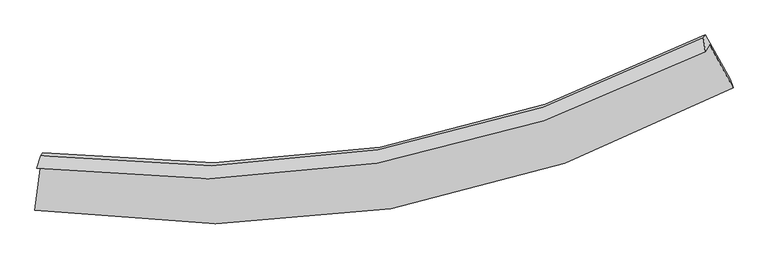
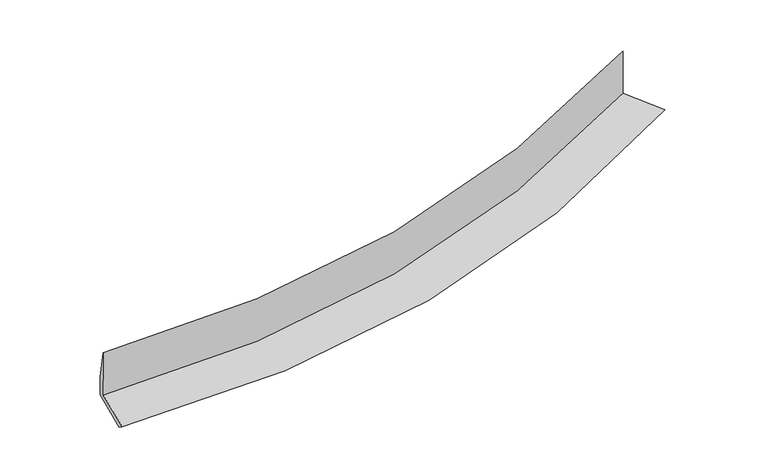
"""IFC4 building model written with IfcOpenShell, lengths in millimetres: proxy geometry."""

import ifcopenshell
import ifcopenshell.guid

model = None  # the IFC model being written
_history = None  # IfcOwnerHistory: only IFC2X3 demands one
_inside = {}  # id of a spatial element -> (the spatial element, [elements in it])
_under = {}  # id of a project, library or spatial element -> (it, [spatial elements below it])
_declared = {}  # id of a project -> (the project, [libraries it declares])
_typed = {}  # id of a type object -> (the type object, [elements of that type])
_made_of = {}  # id of a material, layer set ... -> (it, [elements and type objects made of it])


def new_model(schema):
    """Start an empty IFC model of exactly this schema.

    Asked for "IFC4X3", IfcOpenShell would pick the latest addendum, in which some entities
    have other attributes; the version numbers below select the first issue.
    IFC2X3 requires an IfcOwnerHistory on every rooted entity: one is made here for all.
    """
    global model, _history
    if schema == "IFC4X3":
        model = ifcopenshell.file(schema_version=(4, 3, 0, 0))
    else:
        model = ifcopenshell.file(schema=schema)
    _inside.clear()
    _under.clear()
    _declared.clear()
    _typed.clear()
    _made_of.clear()
    _history = None
    if model.schema == "IFC2X3":
        org = make("IfcOrganization", Name="unknown")
        user = make(
            "IfcPersonAndOrganization",
            ThePerson=make("IfcPerson", FamilyName="unknown"),
            TheOrganization=org,
        )
        app = make(
            "IfcApplication",
            ApplicationDeveloper=org,
            Version="unknown",
            ApplicationFullName="unknown",
            ApplicationIdentifier="unknown",
        )
        _history = make(
            "IfcOwnerHistory",
            OwningUser=user,
            OwningApplication=app,
            ChangeAction="ADDED",
            CreationDate=0,
        )
    return model


def make(cls, **values):
    """One entity of the class cls with the attributes given. An attribute that is None is left unset."""
    return model.create_entity(
        cls, **{name: value for name, value in values.items() if value is not None}
    )


def rooted(cls, **values):
    """An entity with a GlobalId (a new one), such as an element, a storey or a relation."""
    return make(cls, GlobalId=ifcopenshell.guid.new(), OwnerHistory=_history, **values)


def si_unit(unit_type, name, prefix=None):
    """IfcSIUnit, for example si_unit("LENGTHUNIT", "METRE", prefix="MILLI")."""
    return make("IfcSIUnit", UnitType=unit_type, Prefix=prefix, Name=name)


def assignment(units):
    """IfcUnitAssignment: the units of a project."""
    return None if units is None else make("IfcUnitAssignment", Units=units)


def point(xyz):
    """IfcCartesianPoint."""
    return None if xyz is None else make("IfcCartesianPoint", Coordinates=xyz)


def direction(xyz):
    """IfcDirection."""
    return None if xyz is None else make("IfcDirection", DirectionRatios=xyz)


def frame(location, z_axis=None, x_axis=None):
    """IfcAxis2Placement3D, a coordinate frame: its origin and axes. An axis left out is left unset."""
    return make(
        "IfcAxis2Placement3D",
        Location=point(location),
        Axis=direction(z_axis),
        RefDirection=direction(x_axis),
    )


def origin():
    """The frame at (0, 0, 0) with its axes left unset."""
    return frame((0.0, 0.0, 0.0))


def place(relative_to, where):
    """IfcLocalPlacement: puts the frame where relative to a parent placement (None: the world)."""
    return make(
        "IfcLocalPlacement", PlacementRelTo=relative_to, RelativePlacement=where
    )


def context(
    kind, dimensions, precision=None, world=None, true_north=None, identifier=None
):
    """IfcGeometricRepresentationContext, for example the 3D "Model" context."""
    return make(
        "IfcGeometricRepresentationContext",
        ContextIdentifier=identifier,
        ContextType=kind,
        CoordinateSpaceDimension=dimensions,
        Precision=precision,
        WorldCoordinateSystem=world,
        TrueNorth=true_north,
    )


def project(units=None, contexts=None):
    """IfcProject with its units and contexts."""
    return rooted(
        "IfcProject",
        Name="project",
        RepresentationContexts=contexts,
        UnitsInContext=assignment(units),
    )


def spatial(cls, under=None, at=None, **own):
    """A site, building, storey or space (cls), placed at a placement, below another one or the project."""
    s = rooted(cls, ObjectPlacement=at, **own)
    if under is not None:
        _under.setdefault(under.id(), (under, []))[1].append(s)
    return s


def shape(context_of_items, identifier, shape_type, items):
    """IfcShapeRepresentation: the items that make up one representation, for example the "Body"."""
    return make(
        "IfcShapeRepresentation",
        ContextOfItems=context_of_items,
        RepresentationIdentifier=identifier,
        RepresentationType=shape_type,
        Items=items,
    )


def source(mapping_origin, context_of_items, identifier, shape_type, items):
    """IfcRepresentationMap: a shape defined once, which mapped items show again and again."""
    return make(
        "IfcRepresentationMap",
        MappingOrigin=mapping_origin,
        MappedRepresentation=shape(context_of_items, identifier, shape_type, items),
    )


def transform(
    local_origin,
    x_axis=None,
    y_axis=None,
    z_axis=None,
    scale=None,
    scale2=None,
    scale3=None,
    uniform=True,
):
    """IfcCartesianTransformationOperator3D, or its non-uniform kind. x_axis, y_axis, z_axis: its Axis1, 2, 3."""
    if uniform:
        return make(
            "IfcCartesianTransformationOperator3D",
            Axis1=direction(x_axis),
            Axis2=direction(y_axis),
            LocalOrigin=point(local_origin),
            Scale=scale,
            Axis3=direction(z_axis),
        )
    return make(
        "IfcCartesianTransformationOperator3DnonUniform",
        Axis1=direction(x_axis),
        Axis2=direction(y_axis),
        LocalOrigin=point(local_origin),
        Scale=scale,
        Axis3=direction(z_axis),
        Scale2=scale2,
        Scale3=scale3,
    )


def mapped(mapping_source, mapping_target):
    """IfcMappedItem: shows the shape of a source again, moved by a transform."""
    return make(
        "IfcMappedItem", MappingSource=mapping_source, MappingTarget=mapping_target
    )


def made_of(thing, what):
    """Note that an element or type object is made of a material, layer set ...; save() writes the relation."""
    if what is not None:
        _made_of.setdefault(what.id(), (what, []))[1].append(thing)
    return thing


def element(
    cls,
    number,
    at=None,
    inside=None,
    cuts=None,
    type_object=None,
    material=None,
    context=None,
    identifier="Body",
    shape_type=None,
    held_by="IfcProductDefinitionShape",
    body=None,
    shapes=None,
    **own,
):
    """One element of the class cls, such as IfcWall. Its Tag is "e" and its number.

    at: its placement. inside: the storey or other place that contains it. cuts: it is an
    opening in that element (IfcRelVoidsElement). A single representation is given by context,
    identifier, shape_type and body (its items); several are given by shapes. held_by: the class
    of the entity that holds the representations. save() writes the other relations.
    """
    e = rooted(cls, Tag="e%d" % number, ObjectPlacement=at, **own)
    if body is not None:
        shapes = [shape(context, identifier, shape_type, body)]
    if shapes is not None:
        e.Representation = make(held_by, Representations=shapes)
    if inside is not None:
        _inside.setdefault(inside.id(), (inside, []))[1].append(e)
    if cuts is not None:
        rooted(
            "IfcRelVoidsElement", RelatingBuildingElement=cuts, RelatedOpeningElement=e
        )
    if type_object is not None:
        _typed.setdefault(type_object.id(), (type_object, []))[1].append(e)
    return made_of(e, material)


def aggregate(whole, parts):
    """IfcRelAggregates: a whole, such as a stair, and the parts it consists of."""
    return rooted("IfcRelAggregates", RelatingObject=whole, RelatedObjects=parts)


def save(model, path):
    """Write the relations noted so far, then the file.

    IfcRelAggregates (storeys below a building ...), IfcRelContainedInSpatialStructure (elements
    in a storey), IfcRelDefinesByType, IfcRelAssociatesMaterial and IfcRelDeclares: one each for
    every whole, place, type object, material and project.
    """
    for whole, parts in _under.values():
        aggregate(whole, parts)
    for where, things in _inside.values():
        rooted(
            "IfcRelContainedInSpatialStructure",
            RelatedElements=things,
            RelatingStructure=where,
        )
    for kind, things in _typed.values():
        rooted("IfcRelDefinesByType", RelatedObjects=things, RelatingType=kind)
    for what, things in _made_of.values():
        rooted("IfcRelAssociatesMaterial", RelatedObjects=things, RelatingMaterial=what)
    for by, libraries in _declared.values():
        rooted("IfcRelDeclares", RelatingContext=by, RelatedDefinitions=libraries)
    model.write(path)


def plane_surface(at):
    """IfcPlane: the flat surface through the origin of the frame at, square to its z axis."""
    return make("IfcPlane", Position=at)


def spline_curve(degree, points, multiplicities, knots, weights=None):
    """IfcBSplineCurveWithKnots; with weights, IfcRationalBSplineCurveWithKnots."""
    own = dict(
        Degree=degree,
        ControlPointsList=[point(p) for p in points],
        CurveForm="UNSPECIFIED",
        ClosedCurve=False,
        SelfIntersect=False,
        KnotMultiplicities=multiplicities,
        Knots=knots,
        KnotSpec="UNSPECIFIED",
    )
    if weights is None:
        return make("IfcBSplineCurveWithKnots", **own)
    return make("IfcRationalBSplineCurveWithKnots", WeightsData=weights, **own)


def spline_surface(u_degree, v_degree, points, u_multiplicities, v_multiplicities, u_knots, v_knots, weights=None):
    """IfcBSplineSurfaceWithKnots; with weights, IfcRationalBSplineSurfaceWithKnots. points: one row for each step in u."""
    own = dict(
        UDegree=u_degree,
        VDegree=v_degree,
        ControlPointsList=[[point(p) for p in row] for row in points],
        SurfaceForm="UNSPECIFIED",
        UClosed=False,
        VClosed=False,
        SelfIntersect=False,
        UMultiplicities=u_multiplicities,
        VMultiplicities=v_multiplicities,
        UKnots=u_knots,
        VKnots=v_knots,
        KnotSpec="UNSPECIFIED",
    )
    if weights is None:
        return make("IfcBSplineSurfaceWithKnots", **own)
    return make("IfcRationalBSplineSurfaceWithKnots", WeightsData=weights, **own)


def advanced_brep(points, edges, surfaces, faces):
    """IfcAdvancedBrep: a solid bounded by faces that lie on surfaces and meet in shared edges.

    An edge is (start, end): straight between two places in points (the first is 0);
    or (start, end, curve); or (start, end, curve, False) where it runs against its curve.
    A face is (place in surfaces, loops), or (place, loops, False) where it looks against
    its surface's normal. A loop lists edges by number (the first is 1), with a minus sign
    where the edge is run from its end to its start. The first loop is the outer one.
    """
    corners = [point(p) for p in points]
    vertices = [make("IfcVertexPoint", VertexGeometry=c) for c in corners]
    made = []
    for start, end, *more in edges:
        made.append(
            make(
                "IfcEdgeCurve",
                EdgeStart=vertices[start],
                EdgeEnd=vertices[end],
                EdgeGeometry=more[0] if more else make("IfcPolyline", Points=[corners[start], corners[end]]),
                SameSense=more[1] if len(more) > 1 else True,
            )
        )
    hull = []
    for where, loops, *sense in faces:
        bounds = []
        for j, loop in enumerate(loops):
            ring = [make("IfcOrientedEdge", EdgeElement=made[abs(k) - 1], Orientation=k > 0) for k in loop]
            bounds.append(
                make(
                    "IfcFaceOuterBound" if j == 0 else "IfcFaceBound",
                    Bound=make("IfcEdgeLoop", EdgeList=ring),
                    Orientation=True,
                )
            )
        hull.append(make("IfcAdvancedFace", Bounds=bounds, FaceSurface=surfaces[where], SameSense=sense[0] if sense else True))
    return make("IfcAdvancedBrep", Outer=make("IfcClosedShell", CfsFaces=hull))


def generic_models_fd2171f3(model_context):
    return source(origin(), model_context, "Body", "AdvancedBrep", [
        advanced_brep(
        [(-4661.3365485, -2029.2667822, 1425.0803979), (-4747.2975755, -2709.1252554, 1332.4414875), (4879.3374089, -1019.7214283, 2285.3072275), (4556.6534177, -426.1839896, 2312.6909455), (-4720.3919156, -2129.772708, 2217.4716835), (4497.899031, -526.1776789, 3101.0437453), (-4667.2682074, -1960.0029287, 1689.9993774), (4470.471928, -332.9707239, 2565.8857012), (-4642.2584208, -1917.4389437, 1354.423833), (4495.3034525, -290.7101221, 2232.7020376), (-4724.2683312, -2577.0651401, 1240.3151729), (4836.7679481, -904.8264615, 2151.1442677)],
        [
            (0, 1),
            (1, 2, spline_curve(3, [(-4747.2975755, -2709.1252554, 1332.4414875), (-3062.987805713, -2965.734958003, 1444.284353728), (-1426.926892071, -2957.761643101, 1578.485625598), (1784.128779574, -2406.566964223, 1895.098563429), (3356.946193282, -1851.405670533, 2078.519204575), (4879.3374089, -1019.7214283, 2285.3072275)], [4, 2, 4], [0.0, 15.794102241306978, 31.940645175201425])),
            (2, 3),
            (3, 0, spline_curve(3, [(4556.6534177, -426.1839896, 2312.6909455), (3091.365142778, -1182.372505198, 2107.907063238), (1581.593567065, -1692.849411793, 1931.036036087), (-1492.99049068, -2216.600808647, 1636.371097683), (-3055.882237255, -2240.484833031, 1517.371941863), (-4661.3365485, -2029.2667822, 1425.0803979)], [4, 2, 4], [0.0, 16.146542933894445, 31.940645175201425])),
            (4, 0),
            (3, 5),
            (5, 4, spline_curve(3, [(4497.899031, -526.1776789, 3101.0437453), (3032.226636198, -1283.019925041, 2901.413890145), (1522.239482347, -1793.863723539, 2727.435450216), (-1552.437625426, -2317.773480715, 2434.019027138), (-3115.214119645, -2341.461358475, 2313.473446751), (-4720.3919156, -2129.772708, 2217.4716835)], [4, 2, 4], [0.0, 15.777644333575576, 31.21090015506593])),
            (6, 4),
            (5, 7),
            (7, 6, spline_curve(3, [(4470.471928, -332.9707239, 2565.8857012), (3023.395355678, -1093.035290443, 2356.819151901), (1529.465037971, -1607.468908926, 2178.829119059), (-1518.471429054, -2139.20692624, 1888.208857977), (-3070.454490213, -2167.117376025, 1774.236782854), (-4667.2682074, -1960.0029287, 1689.9993774)], [4, 2, 4], [0.0, 15.71616714242564, 31.089287673872434])),
            (8, 6),
            (7, 9),
            (9, 8, spline_curve(3, [(4495.3034525, -290.7101221, 2232.7020376), (3047.312132308, -1052.331491279, 2035.909360022), (1552.944672654, -1567.50907932, 1863.784799959), (-1494.911751153, -2099.11087119, 1572.090538058), (-3046.398249422, -2126.176224139, 1451.455696869), (-4642.2584208, -1917.4389437, 1354.423833)], [4, 2, 4], [0.0, 15.654762870422463, 30.967819439320635])),
            (10, 8),
            (9, 11),
            (11, 10, spline_curve(3, [(4836.7679481, -904.8264615, 2151.1442677), (3315.747780784, -1682.258329964, 1946.667350722), (1749.196189182, -2209.13058338, 1767.970298787), (-1439.78189603, -2755.724610829, 1465.473744302), (-3060.242397967, -2786.265250733, 1340.561097943), (-4724.2683312, -2577.0651401, 1240.3151729)], [4, 2, 4], [0.0, 16.006846530168502, 31.66430160853642])),
            (1, 10),
            (11, 2),
        ],
        [
            spline_surface(3, 3, [[(-4661.3365485, -2029.2667822, 1425.0803979), (-3055.882237385, -2240.484833091, 1517.371941718), (-1492.990490727, -2216.600808717, 1636.371097511), (1581.593567113, -1692.849411721, 1931.036036263), (3091.365142539, -1182.372505193, 2107.90706301), (4556.6534177, -426.1839896, 2312.6909455)], [(-4689.990224179, -2255.886273277, 1394.200761116), (-3058.250760247, -2482.23487468, 1493.009412402), (-1470.969291096, -2463.654420092, 1617.075940222), (1649.105304521, -1930.755262645, 1919.056878629), (3179.89215948, -1405.383560271, 2098.111110285), (4664.214748101, -624.029802499, 2303.563039523)], [(-4718.643899821, -2482.505764323, 1363.321124284), (-3060.619283071, -2723.984916237, 1468.646883038), (-1448.948091467, -2710.708031466, 1597.780782943), (1716.617041926, -2168.661113567, 1907.077721005), (3268.419176418, -1628.394615351, 2088.315157491), (4771.776078499, -821.875615401, 2294.435133477)], [(-4747.2975755, -2709.1252554, 1332.4414875), (-3062.987805933, -2965.734957827, 1444.284353722), (-1426.926891835, -2957.76164284, 1578.485625654), (1784.128779333, -2406.56696449, 1895.098563372), (3356.946193359, -1851.40567043, 2078.519204767), (4879.3374089, -1019.7214283, 2285.3072275)]], [4, 4], [4, 2, 4], [0.0, 2.4316578907340354], [0.0, 15.794102241306978, 31.940645175201425]),
            spline_surface(3, 3, [[(-4720.3919156, -2129.772708, 2217.4716835), (-3115.214119838, -2341.46135848, 2313.473446497), (-1552.437625172, -2317.77348071, 2434.019027115), (1522.239482087, -1793.863723544, 2727.43545024), (3032.226636292, -1283.019924925, 2901.413890233), (4497.899031, -526.1776789, 3101.0437453)], [(-4700.706793233, -2096.270732733, 1953.34125495), (-3095.436825686, -2307.802516683, 2048.106278221), (-1532.621913686, -2284.049256714, 2168.13638391), (1542.0241771, -1760.192286271, 2461.96897891), (3051.939471701, -1249.470785021, 2636.911614478), (4517.483826561, -492.84644914, 2838.259478686)], [(-4681.021670867, -2062.768757467, 1689.21082645), (-3075.659531536, -2274.143674888, 1782.739109994), (-1512.806202213, -2250.325032713, 1902.253740716), (1561.8088721, -1726.520848994, 2196.502507592), (3071.652307129, -1215.921645097, 2372.409338765), (4537.068622139, -459.51521936, 2575.475212114)], [(-4661.3365485, -2029.2667822, 1425.0803979), (-3055.882237385, -2240.484833091, 1517.371941718), (-1492.990490727, -2216.600808717, 1636.371097511), (1581.593567113, -1692.849411721, 1931.036036263), (3091.365142539, -1182.372505193, 2107.90706301), (4556.6534177, -426.1839896, 2312.6909455)]], [4, 4], [4, 2, 4], [0.0, 2.6430037890699576], [0.0, 15.433255821490352, 31.21090015506593]),
            spline_surface(3, 3, [[(-4667.2682074, -1960.0029287, 1689.9993774), (-3070.454490152, -2167.117375963, 1774.236783096), (-1518.47142916, -2139.20692621, 1888.208857981), (1529.465038079, -1607.468908957, 2178.829119056), (3023.395355517, -1093.035290417, 2356.819152126), (4470.471928, -332.9707239, 2565.8857012)], [(-4684.976110112, -2016.592855134, 1865.823479422), (-3085.374366693, -2225.232036803, 1953.982337552), (-1529.793494496, -2198.729111019, 2070.14558103), (1527.056519417, -1669.600513795, 2361.697896122), (3026.339115776, -1156.363501918, 2538.350731489), (4479.614295668, -397.373042232, 2744.271715894)], [(-4702.684012888, -2073.182781566, 2041.647581478), (-3100.294243297, -2283.346697641, 2133.727892041), (-1541.115559836, -2258.251295901, 2252.082304065), (1524.64800075, -1731.732118706, 2544.566673173), (3029.282876033, -1219.691713424, 2719.882310871), (4488.756663332, -461.775360568, 2922.657730606)], [(-4720.3919156, -2129.772708, 2217.4716835), (-3115.214119838, -2341.46135848, 2313.473446497), (-1552.437625172, -2317.77348071, 2434.019027115), (1522.239482087, -1793.863723544, 2727.43545024), (3032.226636292, -1283.019924925, 2901.413890233), (4497.899031, -526.1776789, 3101.0437453)]], [4, 4], [4, 2, 4], [0.0, 1.8938469921489436], [0.0, 15.373120531446794, 31.089287673872434]),
            spline_surface(3, 3, [[(-4642.2584208, -1917.4389437, 1354.423833), (-3046.398249404, -2126.176224134, 1451.455696856), (-1494.911751289, -2099.110871428, 1572.090538167), (1552.944672793, -1567.509079077, 1863.784799847), (3047.312132463, -1052.331491229, 2035.90936008), (4495.3034525, -290.7101221, 2232.7020376)], [(-4650.595016338, -1931.62693869, 1466.282347823), (-3054.416996325, -2139.823274734, 1559.049392292), (-1502.76497724, -2112.476223019, 1677.463311425), (1545.118127895, -1580.829022367, 1968.799572904), (3039.339873503, -1065.899424285, 2142.879290779), (4487.026277689, -304.79698936, 2343.763258817)], [(-4658.931611862, -1945.81493371, 1578.140862577), (-3062.435743232, -2153.470325363, 1666.64308766), (-1510.61820321, -2125.841574619, 1782.836084723), (1537.291582977, -1594.148965666, 2073.814346), (3031.367614476, -1079.467357361, 2249.849221427), (4478.749102811, -318.88385664, 2454.824479983)], [(-4667.2682074, -1960.0029287, 1689.9993774), (-3070.454490152, -2167.117375963, 1774.236783096), (-1518.47142916, -2139.20692621, 1888.208857981), (1529.465038079, -1607.468908957, 2178.829119056), (3023.395355517, -1093.035290417, 2356.819152126), (4470.471928, -332.9707239, 2565.8857012)]], [4, 4], [4, 2, 4], [0.0, 1.0464841205457096], [0.0, 15.313056568898173, 30.967819439320635]),
            spline_surface(3, 3, [[(-4724.2683312, -2577.0651401, 1240.3151729), (-3060.242398094, -2786.265250613, 1340.561097947), (-1439.781896227, -2755.72461105, 1465.4737443), (1749.196189384, -2209.130583154, 1767.970298789), (3315.747780603, -1682.258329824, 1946.667350679), (4836.7679481, -904.8264615, 2151.1442677)], [(-4696.931694392, -2357.189741295, 1278.35139294), (-3055.627681856, -2566.235575115, 1377.525964257), (-1458.158514564, -2536.853364509, 1501.0126756), (1683.779017204, -1995.256748462, 1799.908465819), (3226.269231214, -1472.282716951, 1976.414687135), (4722.946449558, -700.121015025, 2178.33019099)], [(-4669.595057608, -2137.314342505, 1316.38761296), (-3051.012965642, -2346.205899631, 1414.490830546), (-1476.535132952, -2317.982117969, 1536.551606867), (1618.361844973, -1781.382913769, 1831.846632817), (3136.790681851, -1262.307104102, 2006.162023623), (4609.124951042, -495.415568575, 2205.51611431)], [(-4642.2584208, -1917.4389437, 1354.423833), (-3046.398249404, -2126.176224134, 1451.455696856), (-1494.911751289, -2099.110871428, 1572.090538167), (1552.944672793, -1567.509079077, 1863.784799847), (3047.312132463, -1052.331491229, 2035.90936008), (4495.3034525, -290.7101221, 2232.7020376)]], [4, 4], [4, 2, 4], [0.0, 2.1948538066974037], [0.0, 15.657455078367917, 31.66430160853642]),
            spline_surface(3, 3, [[(-4747.2975755, -2709.1252554, 1332.4414875), (-3062.987805933, -2965.734957827, 1444.284353722), (-1426.926891835, -2957.76164284, 1578.485625654), (1784.128779333, -2406.56696449, 1895.098563372), (3356.946193359, -1851.40567043, 2078.519204767), (4879.3374089, -1019.7214283, 2285.3072275)], [(-4739.621160746, -2665.10521697, 1301.732715948), (-3062.072669999, -2905.911722093, 1409.709935111), (-1431.211893329, -2890.415965602, 1540.81499854), (1772.484582653, -2340.754837403, 1852.722475182), (3343.213389096, -1795.023223572, 2034.568586728), (4865.147588623, -981.423106044, 2240.58624089)], [(-4731.944745954, -2621.08517853, 1271.023944452), (-3061.157534028, -2846.088486347, 1375.135516557), (-1435.496894733, -2823.070288288, 1503.144371413), (1760.840386064, -2274.942710241, 1810.346386979), (3329.480584865, -1738.640776682, 1990.617968718), (4850.957768377, -943.124783756, 2195.86525431)], [(-4724.2683312, -2577.0651401, 1240.3151729), (-3060.242398094, -2786.265250613, 1340.561097947), (-1439.781896227, -2755.72461105, 1465.4737443), (1749.196189384, -2209.130583154, 1767.970298789), (3315.747780603, -1682.258329824, 1946.667350679), (4836.7679481, -904.8264615, 2151.1442677)]], [4, 4], [4, 2, 4], [0.0, 0.7687767812337413], [0.0, 16.078319741129587, 32.5154224037972]),
            plane_surface(frame((4622.7388644, -583.4317341, 2441.4623208), z_axis=(0.8741027534868643, 0.4694639852109062, 0.12469139078772212), x_axis=(-0.0737344096636503, -0.12548808805028416, 0.9893512907906055))),
            plane_surface(frame((-4693.8034998, -2220.445293, 1543.2886587), z_axis=(-0.9894999922614982, 0.13286435033597954, -0.056893143034054044), x_axis=(0.12431010476243841, 0.9831580768967272, 0.13396713659207976))),
        ],
        [
            (0, [[1, 2, 3, 4]]),
            (1, [[5, -4, 6, 7]]),
            (2, [[8, -7, 9, 10]]),
            (3, [[11, -10, 12, 13]]),
            (4, [[14, -13, 15, 16]]),
            (5, [[17, -16, 18, -2]]),
            (6, [[-12, -9, -6, -3, -18, -15]]),
            (7, [[-1, -5, -8, -11, -14, -17]]),
        ],
    ),
    ])


if __name__ == "__main__":
    model = new_model("IFC4")
    model_context = context("Model", 3, world=origin())
    ifc_project = project(units=[si_unit("LENGTHUNIT", "METRE", prefix="MILLI")], contexts=[model_context])
    site = spatial("IfcSite", under=ifc_project)
    building = spatial("IfcBuilding", under=site)
    placement = place(None, origin())
    generic_models_shape = generic_models_fd2171f3(model_context)
    element("IfcBuildingElementProxy", 1, Name="Generic Models", at=placement, inside=building, context=model_context, shape_type="MappedRepresentation", body=[
        mapped(generic_models_shape, transform((0.0, 0.0, 0.0), x_axis=(1.0, 0.0, 0.0), y_axis=(0.0, 1.0, 0.0), z_axis=(0.0, 0.0, 1.0))),
    ])
    save(model, "model.ifc")
